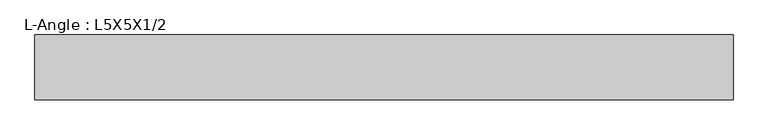
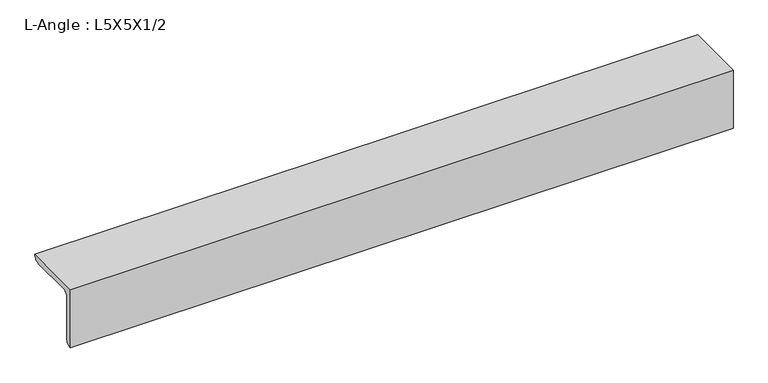
"""IFC4 building model written with IfcOpenShell, lengths in millimetres: beam geometry, L-Angle : L5X5X1/2."""

from ifc_helpers import new_model, si_unit, point, frame, frame_2d, origin, place, context, project, spatial, polyline, circle_curve, trimmed, segment, composite_curve, outline, extrude, source, transform, mapped, element, save


def l_angle_l5x5x1_2_3e7bfaa2(model_context):
    return source(origin(), model_context, "Body", "SweptSolid", [
        extrude(outline(composite_curve([segment(polyline([(-36.068, 36.068), (90.932, 36.068)]), True, "CONTINUOUS"), segment(trimmed(circle_curve(frame_2d((78.232, 36.068)), 12.7), [point((90.932, 36.068))], [point((78.232, 23.368))], False, "CARTESIAN"), True, "CONTINUOUS"), segment(polyline([(78.232, 23.368), (-10.668, 23.368)]), True, "CONTINUOUS"), segment(trimmed(circle_curve(frame_2d((-10.668, 10.668)), 12.7), [point((-10.668, 23.368))], [point((-23.368, 10.668))], True, "CARTESIAN"), True, "CONTINUOUS"), segment(polyline([(-23.368, 10.668), (-23.368, -78.232)]), True, "CONTINUOUS"), segment(trimmed(circle_curve(frame_2d((-36.068, -78.232)), 12.7), [point((-23.368, -78.232))], [point((-36.068, -90.932))], False, "CARTESIAN"), True, "CONTINUOUS"), segment(polyline([(-36.068, -90.932), (-36.068, 36.068)]), True, "CONTINUOUS")], self_intersect=False)), frame((-708.9784565, 0.0, 0.0), z_axis=(1.0, 0.0, 0.0), x_axis=(0.0, 1.0, 0.0)), (0.0, 0.0, 1.0), 1366.9460552),
    ])


if __name__ == "__main__":
    model = new_model("IFC4")
    model_context = context("Model", 3, world=origin())
    ifc_project = project(units=[si_unit("LENGTHUNIT", "METRE", prefix="MILLI")], contexts=[model_context])
    site = spatial("IfcSite", under=ifc_project)
    building = spatial("IfcBuilding", under=site)
    placement = place(None, origin())
    l_angle_l5x5x1_2_shape = l_angle_l5x5x1_2_3e7bfaa2(model_context)
    element("IfcBeam", 1, ObjectType="L-Angle : L5X5X1/2", at=placement, inside=building, context=model_context, shape_type="MappedRepresentation", body=[
        mapped(l_angle_l5x5x1_2_shape, transform((0.0, 0.0, 0.0), x_axis=(1.0, 0.0, 0.0), y_axis=(0.0, 1.0, 0.0), z_axis=(0.0, 0.0, 1.0))),
    ])
    save(model, "model.ifc")
